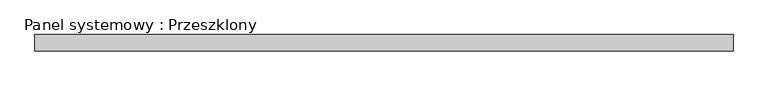
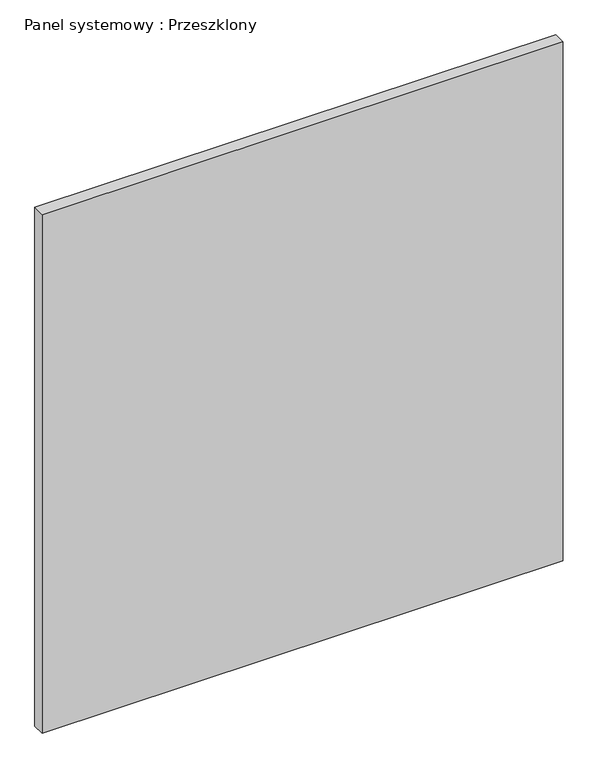
"""IFC4 building model written with IfcOpenShell, lengths in millimetres: plate geometry, Panel systemowy : Przeszklony."""

from ifc_helpers import new_model, si_unit, origin, origin_with_axes, place, context, project, spatial, polyline, outline, extrude, source, transform, mapped, element, save


def panel_systemowy_przeszklony_c0d09f49(model_context):
    return source(origin(), model_context, "Body", "SweptSolid", [
        extrude(outline(polyline([(527.5, -12.5), (-527.5, -12.5), (-527.5, 12.5), (527.5, 12.5), (527.5, -12.5)])), origin_with_axes(), (0.0, 0.0, 1.0), 1109.7005384),
    ])


if __name__ == "__main__":
    model = new_model("IFC4")
    model_context = context("Model", 3, world=origin())
    ifc_project = project(units=[si_unit("LENGTHUNIT", "METRE", prefix="MILLI")], contexts=[model_context])
    site = spatial("IfcSite", under=ifc_project)
    building = spatial("IfcBuilding", under=site)
    placement = place(None, origin())
    panel_systemowy_przeszklony_shape = panel_systemowy_przeszklony_c0d09f49(model_context)
    element("IfcPlate", 1, ObjectType="Panel systemowy : Przeszklony", at=placement, inside=building, context=model_context, shape_type="MappedRepresentation", body=[
        mapped(panel_systemowy_przeszklony_shape, transform((0.0, 0.0, 0.0), x_axis=(1.0, 0.0, 0.0), y_axis=(0.0, 1.0, 0.0), z_axis=(0.0, 0.0, 1.0))),
    ])
    save(model, "model.ifc")
